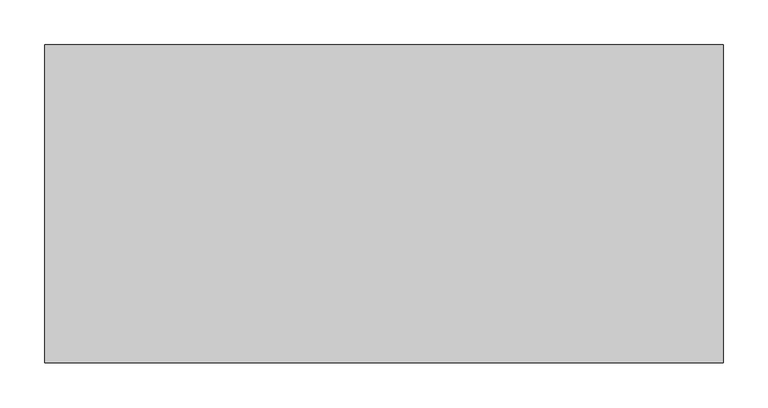
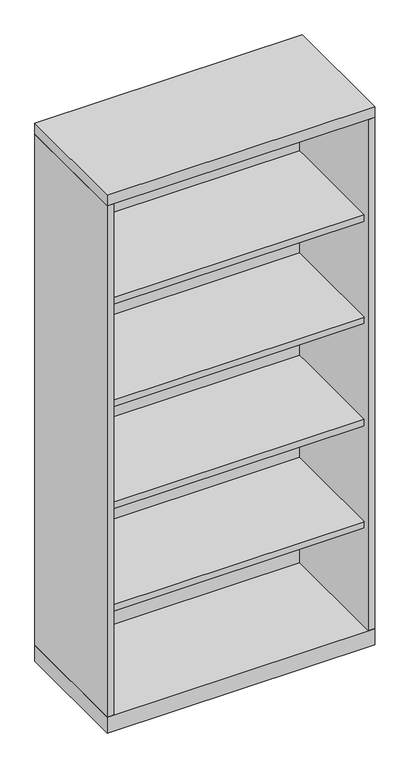
"""IFC4 building model written with IfcOpenShell, lengths in millimetres: furniture geometry."""

from ifc_helpers import new_model, si_unit, frame, origin, origin_with_axes, place, context, project, spatial, polyline, outline, extrude, source, transform, mapped, element, save


def furniture_b9323812(model_context):
    return source(origin(), model_context, "Body", "SweptSolid", [
        extrude(outline(polyline([(360.3625, -19.05), (360.3625, -336.55), (-360.3625, -336.55), (-360.3625, -19.05), (360.3625, -19.05)])), frame((0.0, 0.0, 958.215), z_axis=(0.0, 0.0, 1.0), x_axis=(1.0, 0.0, 0.0)), (0.0, 0.0, 1.0), 19.05),
        extrude(outline(polyline([(360.3625, -19.05), (360.3625, -336.55), (-360.3625, -336.55), (-360.3625, -19.05), (360.3625, -19.05)])), frame((0.0, 0.0, 651.51), z_axis=(0.0, 0.0, 1.0), x_axis=(1.0, 0.0, 0.0)), (0.0, 0.0, 1.0), 19.05),
        extrude(outline(polyline([(360.3625, -19.05), (360.3625, -336.55), (-360.3625, -336.55), (-360.3625, -19.05), (360.3625, -19.05)])), frame((0.0, 0.0, 1264.92), z_axis=(0.0, 0.0, 1.0), x_axis=(1.0, 0.0, 0.0)), (0.0, 0.0, 1.0), 19.05),
        extrude(outline(polyline([(360.3625, -19.05), (360.3625, -336.55), (-360.3625, -336.55), (-360.3625, -19.05), (360.3625, -19.05)])), frame((0.0, 0.0, 344.805), z_axis=(0.0, 0.0, 1.0), x_axis=(1.0, 0.0, 0.0)), (0.0, 0.0, 1.0), 19.05),
        extrude(outline(polyline([(379.4125, 0.0), (379.4125, -355.6), (-379.4125, -355.6), (-379.4125, 0.0), (379.4125, 0.0)])), origin_with_axes(), (0.0, 0.0, 1.0), 47.625),
        extrude(outline(polyline([(379.4125, 0.0), (379.4125, -355.6), (-379.4125, -355.6), (-379.4125, 0.0), (379.4125, 0.0)])), frame((0.0, 0.0, 1581.15), z_axis=(0.0, 0.0, 1.0), x_axis=(1.0, 0.0, 0.0)), (0.0, 0.0, 1.0), 31.75),
        extrude(outline(polyline([(379.4125, 0.0), (379.4125, -355.6), (360.3625, -355.6), (360.3625, -19.05), (-360.3625, -19.05), (-360.3625, -355.6), (-379.4125, -355.6), (-379.4125, 0.0), (379.4125, 0.0)])), frame((0.0, 0.0, 47.625), z_axis=(0.0, 0.0, 1.0), x_axis=(1.0, 0.0, 0.0)), (0.0, 0.0, 1.0), 1533.525),
    ])


if __name__ == "__main__":
    model = new_model("IFC4")
    model_context = context("Model", 3, world=origin())
    ifc_project = project(units=[si_unit("LENGTHUNIT", "METRE", prefix="MILLI")], contexts=[model_context])
    site = spatial("IfcSite", under=ifc_project)
    building = spatial("IfcBuilding", under=site)
    placement = place(None, origin())
    furniture_shape = furniture_b9323812(model_context)
    element("IfcFurniture", 1, at=placement, inside=building, context=model_context, shape_type="MappedRepresentation", body=[
        mapped(furniture_shape, transform((0.0, 0.0, 0.0), x_axis=(1.0, 0.0, 0.0), y_axis=(0.0, 1.0, 0.0), z_axis=(0.0, 0.0, 1.0))),
    ])
    save(model, "model.ifc")
